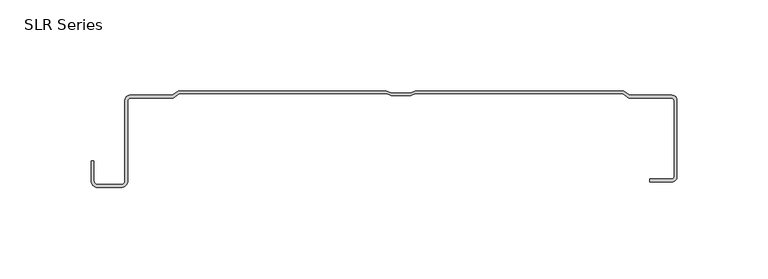
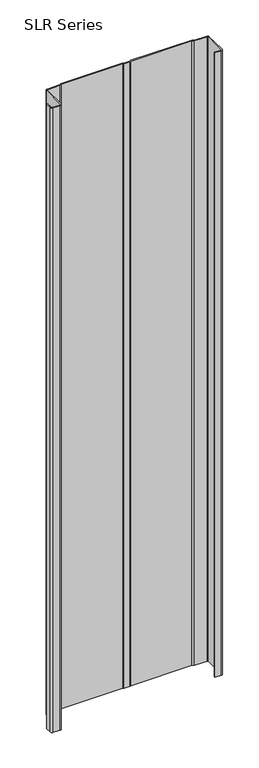
"""IFC4 building model written with IfcOpenShell, lengths in millimetres: plate geometry, SLR Series."""

from ifc_helpers import new_model, si_unit, point, frame_2d, origin, origin_with_axes, place, context, project, spatial, polyline, circle_curve, trimmed, segment, composite_curve, outline, extrude, source, transform, mapped, element, save


def slr_series_c1068589(model_context):
    return source(origin(), model_context, "Body", "SweptSolid", [
        extrude(outline(composite_curve([segment(polyline([(-6.814853, -1.6177749), (-120.9092093, -1.6177749), (-124.1304426, -4.0336999), (-147.9043372, -4.0336999)]), True, "CONTINUOUS"), segment(trimmed(circle_curve(frame_2d((-147.9043372, -5.1897647)), 1.1560648), [point((-147.9043372, -4.0336999))], [point((-149.060402, -5.1897647))], True, "CARTESIAN"), True, "CONTINUOUS"), segment(polyline([(-149.060402, -5.1897647), (-149.060402, -49.4817223)]), True, "CONTINUOUS"), segment(trimmed(circle_curve(frame_2d((-152.7361871, -49.4817223)), 3.6757851), [point((-149.060402, -49.4817223))], [point((-152.7361871, -53.1575073))], False, "CARTESIAN"), True, "CONTINUOUS"), segment(polyline([(-152.7361871, -53.1575073), (-165.6211202, -53.1575073)]), True, "CONTINUOUS"), segment(trimmed(circle_curve(frame_2d((-165.6211202, -49.4817223)), 3.6757851), [point((-165.6211202, -53.1575073))], [point((-169.2969053, -49.4817223))], False, "CARTESIAN"), True, "CONTINUOUS"), segment(polyline([(-169.2969053, -49.4817223), (-169.2969053, -38.6547993), (-167.6791304, -38.6547993), (-167.6791304, -49.4817223)]), True, "CONTINUOUS"), segment(trimmed(circle_curve(frame_2d((-165.6211202, -49.4817223)), 2.0580101), [point((-167.6791304, -49.4817223))], [point((-165.6211202, -51.5397324))], True, "CARTESIAN"), True, "CONTINUOUS"), segment(polyline([(-165.6211202, -51.5397324), (-152.7361871, -51.5397324)]), True, "CONTINUOUS"), segment(trimmed(circle_curve(frame_2d((-152.7361871, -49.4817223)), 2.0580101), [point((-152.7361871, -51.5397324))], [point((-150.678177, -49.4817223))], True, "CARTESIAN"), True, "CONTINUOUS"), segment(polyline([(-150.678177, -49.4817223), (-150.678177, -5.1897647)]), True, "CONTINUOUS"), segment(trimmed(circle_curve(frame_2d((-147.9043372, -5.1897647)), 2.7738398), [point((-150.678177, -5.1897647))], [point((-147.9043372, -2.415925))], False, "CARTESIAN"), True, "CONTINUOUS"), segment(polyline([(-147.9043372, -2.415925), (-124.6697009, -2.415925), (-121.4484676, 0.0), (-7.0740323, 0.0), (-4.2493832, -1.1298596), (6.0712062, -1.1298596), (8.8958553, 0.0), (123.312302, 0.0), (126.5335353, -2.415925), (149.7681716, -2.415925)]), True, "CONTINUOUS"), segment(trimmed(circle_curve(frame_2d((149.7262298, -5.189378)), 2.7737702), [point((149.7681716, -2.415925))], [point((152.5, -5.189378))], False, "CARTESIAN"), True, "CONTINUOUS"), segment(polyline([(152.5, -5.189378), (152.5, -47.2671954)]), True, "CONTINUOUS"), segment(trimmed(circle_curve(frame_2d((149.7262298, -47.2671954)), 2.7737702), [point((152.5, -47.2671954))], [point((149.7262298, -50.0409655))], False, "CARTESIAN"), True, "CONTINUOUS"), segment(polyline([(149.7262298, -50.0409655), (137.6469081, -50.0409655), (137.6469081, -48.4232312), (149.7262298, -48.4232312)]), True, "CONTINUOUS"), segment(trimmed(circle_curve(frame_2d((149.7262298, -47.2671954)), 1.1560358), [point((149.7262298, -48.4232312))], [point((150.8822657, -47.2671954))], True, "CARTESIAN"), True, "CONTINUOUS"), segment(polyline([(150.8822657, -47.2671954), (150.8822657, -5.1897357)]), True, "CONTINUOUS"), segment(trimmed(circle_curve(frame_2d((149.7262298, -5.1897357)), 1.1560358), [point((150.8822657, -5.1897357))], [point((149.7262298, -4.0336999))], True, "CARTESIAN"), True, "CONTINUOUS"), segment(polyline([(149.7262298, -4.0336999), (125.994277, -4.0336999), (122.7730437, -1.6177749), (8.636676, -1.6177749), (6.2654839, -2.5662518), (-4.4436609, -2.5662518), (-6.814853, -1.6177749)]), True, "CONTINUOUS")], self_intersect=False)), origin_with_axes(), (0.0, 0.0, 1.0), 1228.3559792),
    ])


if __name__ == "__main__":
    model = new_model("IFC4")
    model_context = context("Model", 3, world=origin())
    ifc_project = project(units=[si_unit("LENGTHUNIT", "METRE", prefix="MILLI")], contexts=[model_context])
    site = spatial("IfcSite", under=ifc_project)
    building = spatial("IfcBuilding", under=site)
    placement = place(None, origin())
    slr_series_shape = slr_series_c1068589(model_context)
    element("IfcPlate", 1, ObjectType="SLR Series", at=placement, inside=building, context=model_context, shape_type="MappedRepresentation", body=[
        mapped(slr_series_shape, transform((0.0, 0.0, 0.0), x_axis=(1.0, 0.0, 0.0), y_axis=(0.0, 1.0, 0.0), z_axis=(0.0, 0.0, 1.0))),
    ])
    save(model, "model.ifc")
